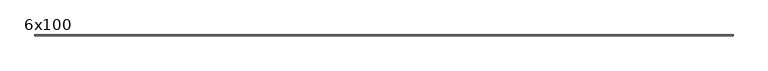
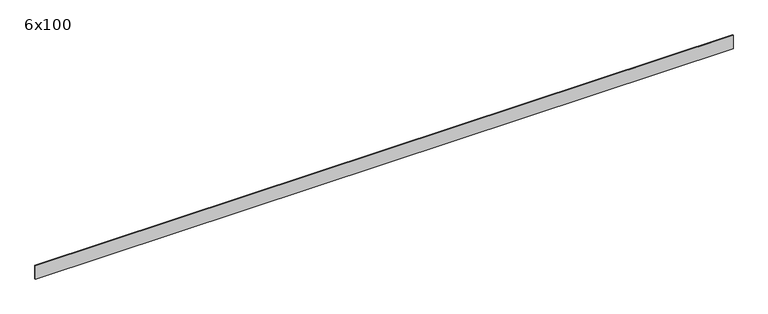
"""IFC4 building model written with IfcOpenShell, lengths in millimetres: beam geometry, 6x100."""

from ifc_helpers import new_model, si_unit, frame, origin, place, context, project, spatial, polyline, outline, extrude, source, transform, mapped, element, save


def beam_6x100_8c54e0c3(model_context):
    return source(origin(), model_context, "Body", "SweptSolid", [
        extrude(outline(polyline([(2601.3246747, 3.0), (2601.3246747, -3.0), (-2421.0471109, -3.0), (-2421.0471109, 3.0), (2601.3246747, 3.0)])), frame((0.0, 0.0, -50.0), z_axis=(0.0, 0.0, 1.0), x_axis=(1.0, 0.0, 0.0)), (0.0, 0.0, 1.0), 100.0),
    ])


if __name__ == "__main__":
    model = new_model("IFC4")
    model_context = context("Model", 3, world=origin())
    ifc_project = project(units=[si_unit("LENGTHUNIT", "METRE", prefix="MILLI")], contexts=[model_context])
    site = spatial("IfcSite", under=ifc_project)
    building = spatial("IfcBuilding", under=site)
    placement = place(None, origin())
    beam_6x100_shape = beam_6x100_8c54e0c3(model_context)
    element("IfcBeam", 1, ObjectType="6x100", at=placement, inside=building, context=model_context, shape_type="MappedRepresentation", body=[
        mapped(beam_6x100_shape, transform((0.0, 0.0, 0.0), x_axis=(1.0, 0.0, 0.0), y_axis=(0.0, 1.0, 0.0), z_axis=(0.0, 0.0, 1.0))),
    ])
    save(model, "model.ifc")
